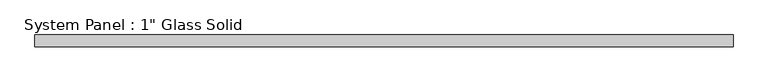
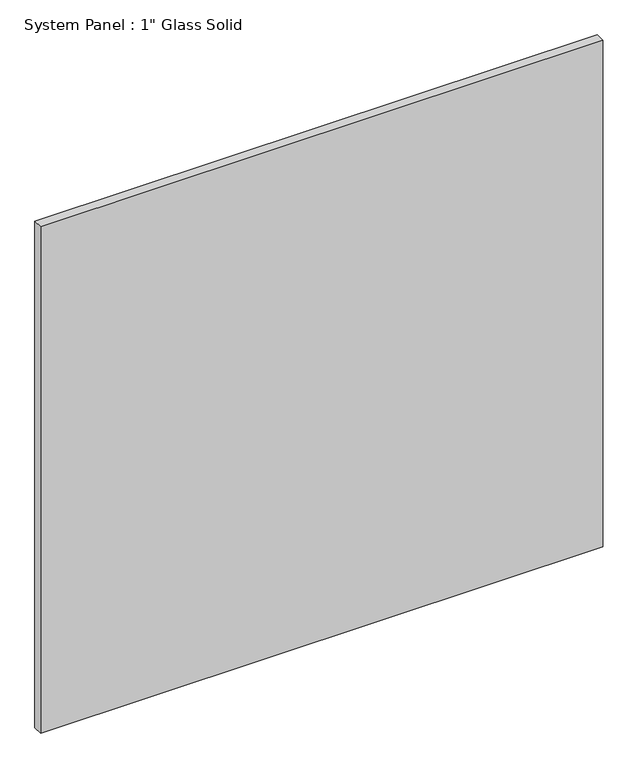
"""IFC4 building model written with IfcOpenShell, lengths in millimetres: plate geometry."""

from ifc_helpers import new_model, si_unit, origin, origin_with_axes, place, context, project, spatial, polyline, outline, extrude, source, transform, mapped, element, save


def plate_f7e8b08c(model_context):
    return source(origin(), model_context, "Body", "SweptSolid", [
        extrude(outline(polyline([(737.6592185, -12.7), (-737.6592185, -12.7), (-737.6592185, 12.7), (737.6592185, 12.7), (737.6592185, -12.7)])), origin_with_axes(), (0.0, 0.0, 1.0), 1404.0991382),
    ])


if __name__ == "__main__":
    model = new_model("IFC4")
    model_context = context("Model", 3, world=origin())
    ifc_project = project(units=[si_unit("LENGTHUNIT", "METRE", prefix="MILLI")], contexts=[model_context])
    site = spatial("IfcSite", under=ifc_project)
    building = spatial("IfcBuilding", under=site)
    placement = place(None, origin())
    plate_shape = plate_f7e8b08c(model_context)
    element("IfcPlate", 1, ObjectType="System Panel : 1\" Glass Solid", at=placement, inside=building, context=model_context, shape_type="MappedRepresentation", body=[
        mapped(plate_shape, transform((0.0, 0.0, 0.0), x_axis=(1.0, 0.0, 0.0), y_axis=(0.0, 1.0, 0.0), z_axis=(0.0, 0.0, 1.0))),
    ])
    save(model, "model.ifc")
